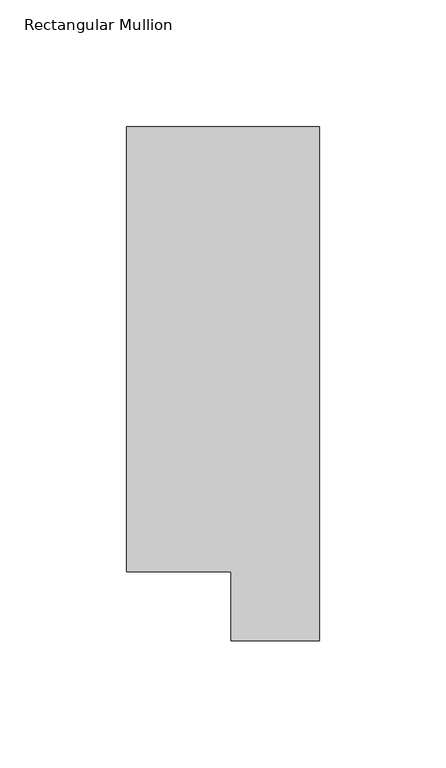
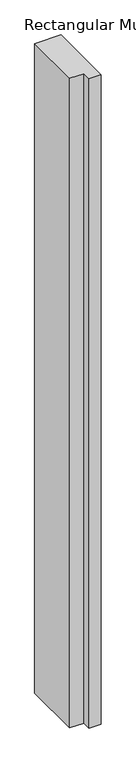
"""IFC4 building model written with IfcOpenShell, lengths in millimetres: member geometry, Rectangular Mullion."""

from ifc_helpers import new_model, si_unit, frame, origin, place, context, project, spatial, polyline, outline, extrude, source, transform, mapped, element, save


def rectangular_mullion_fb611782(model_context):
    return source(origin(), model_context, "Body", "SweptSolid", [
        extrude(outline(polyline([(0.0, 222.5381312), (0.0, 19.5667312), (-34.9123, 19.5667312), (-34.9123, 46.7447302), (-76.2, 46.7447302), (-76.2, 222.5381312), (0.0, 222.5381312)])), frame((0.0, 0.0, -1993.9000004), z_axis=(0.0, 0.0, 1.0), x_axis=(1.0, 0.0, 0.0)), (0.0, 0.0, 1.0), 1993.9000004),
    ])


if __name__ == "__main__":
    model = new_model("IFC4")
    model_context = context("Model", 3, world=origin())
    ifc_project = project(units=[si_unit("LENGTHUNIT", "METRE", prefix="MILLI")], contexts=[model_context])
    site = spatial("IfcSite", under=ifc_project)
    building = spatial("IfcBuilding", under=site)
    placement = place(None, origin())
    rectangular_mullion_shape = rectangular_mullion_fb611782(model_context)
    element("IfcMember", 1, ObjectType="Rectangular Mullion", at=placement, inside=building, context=model_context, shape_type="MappedRepresentation", body=[
        mapped(rectangular_mullion_shape, transform((0.0, 0.0, 0.0), x_axis=(1.0, 0.0, 0.0), y_axis=(0.0, 1.0, 0.0), z_axis=(0.0, 0.0, 1.0))),
    ])
    save(model, "model.ifc")
